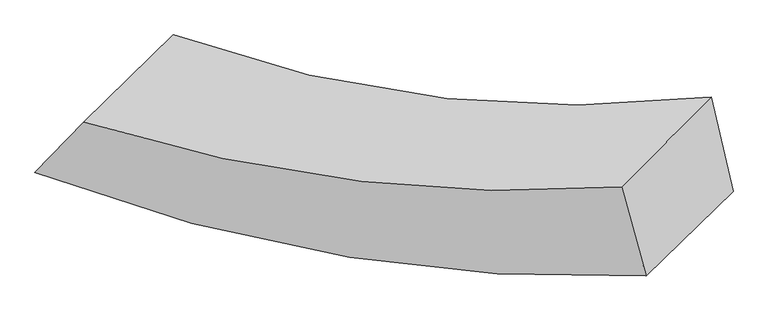
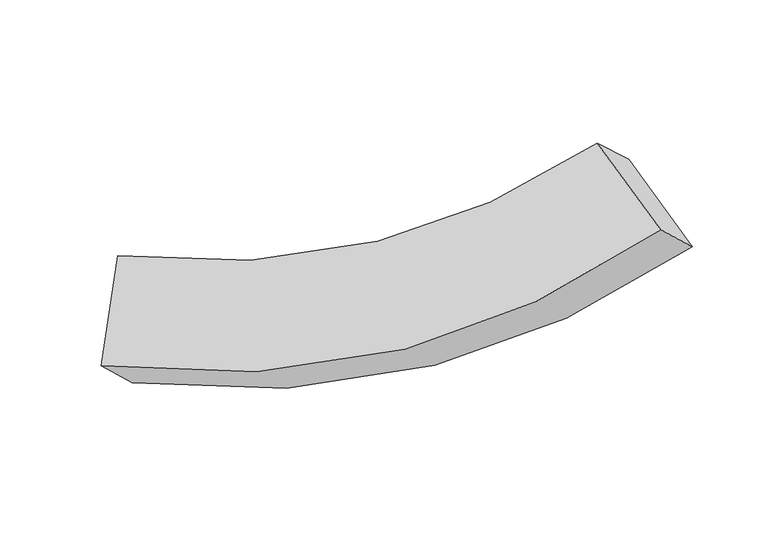
"""IFC4 building model written with IfcOpenShell, lengths in millimetres: proxy geometry."""

from ifc_helpers import new_model, si_unit, frame, origin, place, context, project, spatial, source, transform, mapped, element, save
from ifc_brep_helpers import plane_surface, spline_curve, spline_surface, advanced_brep


def generic_models_e21f9d4a(model_context):
    return source(origin(), model_context, "Body", "AdvancedBrep", [
        advanced_brep(
        [(11597.0936663, -3322.8691027, 1346.7972837), (11131.7901469, -3775.4191104, 1901.3491674), (7864.8732049, -3223.6100363, 1786.2246272), (8313.5048796, -2787.2749145, 1251.5423609), (11480.1831079, -2818.4135723, 1676.8689712), (8604.9814741, -2485.7963403, 1704.3384963), (11000.7031222, -3300.3018051, 2243.5183334), (8125.354165, -2952.2775367, 2275.9615695)],
        [
            (0, 1),
            (1, 2, spline_curve(3, [(11131.7901469, -3775.4191104, 1901.3491674), (10600.622790126, -3794.249520901, 1715.660065874), (10072.599333149, -3761.314590798, 1610.524539964), (8983.133358336, -3585.506518742, 1559.501027551), (8422.184501422, -3434.505090813, 1626.261706721), (7864.8732049, -3223.6100363, 1786.2246272)], [4, 2, 4], [0.0, 5.354258613648127, 11.11356404514186])),
            (2, 3),
            (3, 0, spline_curve(3, [(8313.5048796, -2787.2749145, 1251.5423609), (8860.054197658, -3008.636972171, 1104.405639381), (9417.310618241, -3163.229630264, 1042.045630416), (10513.293296575, -3332.699615259, 1085.302491572), (11050.566471454, -3356.638353415, 1179.41414126), (11597.0936663, -3322.8691027, 1346.7972837)], [4, 2, 4], [0.0, 5.7593054314937335, 11.11356404514186])),
            (4, 0),
            (3, 5),
            (5, 4, spline_curve(3, [(8604.9814741, -2485.7963403, 1704.3384963), (9081.853320638, -2659.297497057, 1571.797975502), (9568.982584382, -2772.661707971, 1505.483984507), (10528.775183873, -2875.372811341, 1505.315213162), (11000.04646482, -2872.881011263, 1562.472695795), (11480.1831079, -2818.4135723, 1676.8689712)], [4, 2, 4], [0.0, 5.385652835618038, 10.392537507429477])),
            (6, 4),
            (5, 7),
            (7, 6, spline_curve(3, [(8125.354165, -2952.2775367, 2275.9615695), (8617.282549225, -3108.245454179, 2126.368099907), (9111.67889334, -3214.541768048, 2051.393153232), (10070.463477607, -3323.808823148, 2050.705372732), (10534.516785878, -3333.520598775, 2114.865907337), (11000.7031222, -3300.3018051, 2243.5183334)], [4, 2, 4], [0.0, 0.5182230838010362, 1.0])),
            (1, 6),
            (7, 2),
        ],
        [
            spline_surface(3, 3, [[(11597.0936663, -3322.8691027, 1346.7972837), (11050.566471454, -3356.638353363, 1179.414141316), (10513.293296535, -3332.699615269, 1085.302491515), (9417.310618285, -3163.229630254, 1042.045630478), (8860.054197653, -3008.636972267, 1104.405639323), (8313.5048796, -2787.2749145, 1251.5423609)], [(11441.992493158, -3473.719105258, 1531.647911593), (10900.585244366, -3502.508742553, 1358.16278285), (10366.395308697, -3475.571273762, 1260.376507642), (9272.584864967, -3303.988593039, 1214.530762803), (8714.097632279, -3150.593011761, 1278.357661787), (8163.960988041, -2932.719955097, 1429.76978299)], [(11286.891320042, -3624.569107842, 1716.498539507), (10750.604017303, -3648.379131768, 1536.911424404), (10219.497320928, -3618.442932345, 1435.450523852), (9127.859111717, -3444.747555913, 1387.01589521), (8568.141066881, -3292.549051265, 1452.30968428), (8014.417096459, -3078.164995703, 1607.99720511)], [(11131.7901469, -3775.4191104, 1901.3491674), (10600.622790215, -3794.249520957, 1715.660065939), (10072.59933309, -3761.314590838, 1610.524539979), (8983.133358399, -3585.506518699, 1559.501027535), (8422.184501507, -3434.505090759, 1626.261706744), (7864.8732049, -3223.6100363, 1786.2246272)]], [4, 4], [4, 2, 4], [0.0, 2.631892373648585], [0.0, 5.354258613648127, 11.11356404514186]),
            spline_surface(3, 3, [[(11480.1831079, -2818.4135723, 1676.8689712), (11000.046464797, -2872.881011206, 1562.472695803), (10528.775183895, -2875.372811355, 1505.315213179), (9568.982584359, -2772.661707956, 1505.483984489), (9081.853320662, -2659.297497126, 1571.797975472), (8604.9814741, -2485.7963403, 1704.3384963)], [(11519.153294023, -2986.565415764, 1566.845075374), (11016.886467005, -3034.133458589, 1434.786510981), (10523.61455479, -3027.815079346, 1365.310972653), (9518.425262349, -2902.851015408, 1351.004533181), (9007.920279642, -2775.743988838, 1416.000530104), (8507.822609249, -2586.289198365, 1553.406451182)], [(11558.123480177, -3154.717259236, 1456.821179526), (11033.726469246, -3195.38590598, 1307.100326138), (10518.45392564, -3180.257347278, 1225.306732041), (9467.867940295, -3033.040322802, 1196.525081786), (8933.987238674, -2892.190480555, 1260.203084691), (8410.663744451, -2686.782056435, 1402.474406018)], [(11597.0936663, -3322.8691027, 1346.7972837), (11050.566471454, -3356.638353363, 1179.414141316), (10513.293296535, -3332.699615269, 1085.302491515), (9417.310618285, -3163.229630254, 1042.045630478), (8860.054197653, -3008.636972267, 1104.405639323), (8313.5048796, -2787.2749145, 1251.5423609)]], [4, 4], [4, 2, 4], [0.0, 2.0276382697200055], [0.0, 5.006884671811439, 10.392537507429477]),
            spline_surface(3, 3, [[(11000.7031222, -3300.3018051, 2243.5183334), (10534.516785881, -3333.52059877, 2114.865907336), (10070.463477602, -3323.808823152, 2050.705372731), (9111.678893346, -3214.541768044, 2051.393153232), (8617.282549232, -3108.245454186, 2126.368099908), (8125.354165, -2952.2775367, 2275.9615695)], [(11160.529784101, -3139.672394173, 2054.635212654), (10689.693345521, -3179.974069588, 1930.734836812), (10223.234046362, -3174.330152543, 1868.908652877), (9264.113457013, -3067.248414671, 1869.423430314), (8772.139473046, -2958.596135174, 1941.511391772), (8285.229934704, -2796.783804575, 2085.420545109)], [(11320.356445999, -2979.042983227, 1865.752091946), (10844.869905157, -3026.427540388, 1746.603766327), (10376.004615135, -3024.851481965, 1687.111933033), (9416.548020692, -2919.955061329, 1687.453707406), (8926.996396849, -2808.946816138, 1756.654683608), (8445.105704396, -2641.290072425, 1894.879520691)], [(11480.1831079, -2818.4135723, 1676.8689712), (11000.046464797, -2872.881011206, 1562.472695803), (10528.775183895, -2875.372811355, 1505.315213179), (9568.982584359, -2772.661707956, 1505.483984489), (9081.853320662, -2659.297497126, 1571.797975472), (8604.9814741, -2485.7963403, 1704.3384963)]], [4, 4], [4, 2, 4], [0.0, 1.0], [0.0, 0.4817769161989638, 1.0]),
            spline_surface(3, 3, [[(11131.7901469, -3775.4191104, 1901.3491674), (10600.622790215, -3794.249520957, 1715.660065939), (10072.59933309, -3761.314590838, 1610.524539979), (8983.133358399, -3585.506518699, 1559.501027535), (8422.184501507, -3434.505090759, 1626.261706744), (7864.8732049, -3223.6100363, 1786.2246272)], [(11088.094472018, -3617.046675304, 2015.405556079), (10578.587455455, -3640.673213566, 1848.72867975), (10071.887381273, -3615.479334963, 1757.251484232), (9025.98187006, -3461.851601834, 1723.465069435), (8487.217184088, -3325.751878565, 1792.963837784), (7951.700191606, -3133.165869763, 1949.470274619)], [(11044.398797082, -3458.674240196, 2129.461944721), (10556.552120641, -3487.096906161, 1981.797293525), (10071.175429419, -3469.644079027, 1903.978428479), (9068.830381685, -3338.196684908, 1887.429111331), (8552.249866651, -3216.99866638, 1959.665968868), (8038.527178294, -3042.721703237, 2112.715922081)], [(11000.7031222, -3300.3018051, 2243.5183334), (10534.516785881, -3333.52059877, 2114.865907336), (10070.463477602, -3323.808823152, 2050.705372731), (9111.678893346, -3214.541768044, 2051.393153232), (8617.282549232, -3108.245454186, 2126.368099908), (8125.354165, -2952.2775367, 2275.9615695)]], [4, 4], [4, 2, 4], [0.0, 2.0355108958447614], [0.0, 4.9996918783524595, 10.377607789509971]),
            plane_surface(frame((8227.1784309, -2862.239707, 1754.5167635), z_axis=(-0.7068006851166848, 0.7072340068542236, -0.015901291378535992), x_axis=(-0.4722957159182058, -0.4885024790823051, -0.7336907282062051))),
            plane_surface(frame((11302.4425109, -3304.2508976, 1792.1334389), z_axis=(0.8186675210055401, -0.16931643968055876, 0.5487398594093047), x_axis=(0.5450310330802165, 0.5300922686085688, -0.6495716740598632))),
        ],
        [
            (0, [[1, 2, 3, 4]]),
            (1, [[5, -4, 6, 7]]),
            (2, [[8, -7, 9, 10]]),
            (3, [[11, -10, 12, -2]]),
            (4, [[-6, -3, -12, -9]]),
            (5, [[-1, -5, -8, -11]]),
        ],
    ),
    ])


if __name__ == "__main__":
    model = new_model("IFC4")
    model_context = context("Model", 3, world=origin())
    ifc_project = project(units=[si_unit("LENGTHUNIT", "METRE", prefix="MILLI")], contexts=[model_context])
    site = spatial("IfcSite", under=ifc_project)
    building = spatial("IfcBuilding", under=site)
    placement = place(None, origin())
    generic_models_shape = generic_models_e21f9d4a(model_context)
    element("IfcBuildingElementProxy", 1, Name="Generic Models", at=placement, inside=building, context=model_context, shape_type="MappedRepresentation", body=[
        mapped(generic_models_shape, transform((0.0, 0.0, 0.0), x_axis=(1.0, 0.0, 0.0), y_axis=(0.0, 1.0, 0.0), z_axis=(0.0, 0.0, 1.0))),
    ])
    save(model, "model.ifc")
